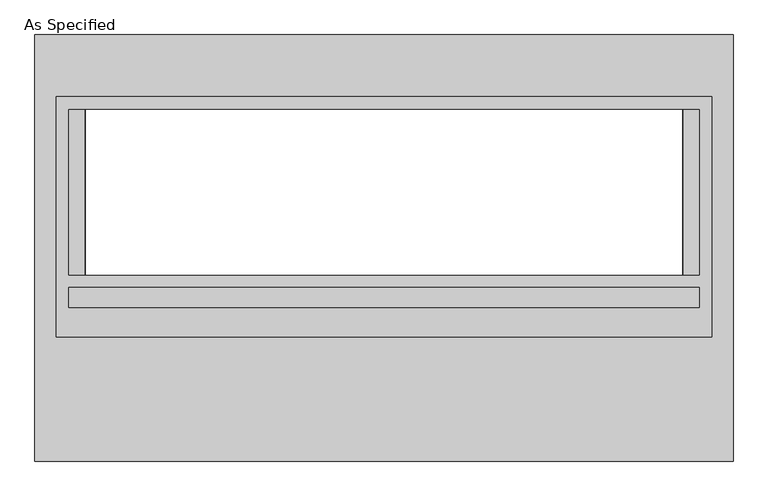
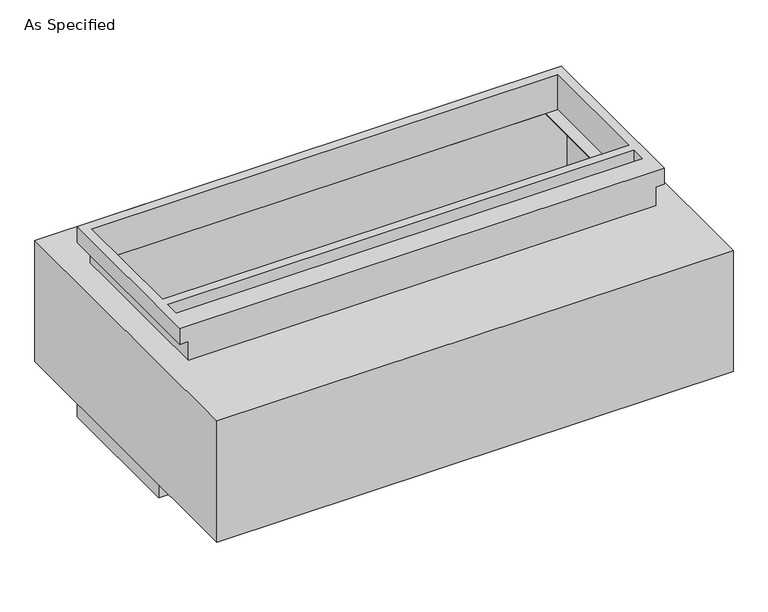
"""IFC4 building model written with IfcOpenShell, lengths in millimetres: proxy geometry, As Specified."""

import ifcopenshell
import ifcopenshell.guid

model = None  # the IFC model being written
_history = None  # IfcOwnerHistory: only IFC2X3 demands one
_inside = {}  # id of a spatial element -> (the spatial element, [elements in it])
_under = {}  # id of a project, library or spatial element -> (it, [spatial elements below it])
_declared = {}  # id of a project -> (the project, [libraries it declares])
_typed = {}  # id of a type object -> (the type object, [elements of that type])
_made_of = {}  # id of a material, layer set ... -> (it, [elements and type objects made of it])


def new_model(schema):
    """Start an empty IFC model of exactly this schema.

    Asked for "IFC4X3", IfcOpenShell would pick the latest addendum, in which some entities
    have other attributes; the version numbers below select the first issue.
    IFC2X3 requires an IfcOwnerHistory on every rooted entity: one is made here for all.
    """
    global model, _history
    if schema == "IFC4X3":
        model = ifcopenshell.file(schema_version=(4, 3, 0, 0))
    else:
        model = ifcopenshell.file(schema=schema)
    _inside.clear()
    _under.clear()
    _declared.clear()
    _typed.clear()
    _made_of.clear()
    _history = None
    if model.schema == "IFC2X3":
        org = make("IfcOrganization", Name="unknown")
        user = make(
            "IfcPersonAndOrganization",
            ThePerson=make("IfcPerson", FamilyName="unknown"),
            TheOrganization=org,
        )
        app = make(
            "IfcApplication",
            ApplicationDeveloper=org,
            Version="unknown",
            ApplicationFullName="unknown",
            ApplicationIdentifier="unknown",
        )
        _history = make(
            "IfcOwnerHistory",
            OwningUser=user,
            OwningApplication=app,
            ChangeAction="ADDED",
            CreationDate=0,
        )
    return model


def make(cls, **values):
    """One entity of the class cls with the attributes given. An attribute that is None is left unset."""
    return model.create_entity(
        cls, **{name: value for name, value in values.items() if value is not None}
    )


def rooted(cls, **values):
    """An entity with a GlobalId (a new one), such as an element, a storey or a relation."""
    return make(cls, GlobalId=ifcopenshell.guid.new(), OwnerHistory=_history, **values)


def si_unit(unit_type, name, prefix=None):
    """IfcSIUnit, for example si_unit("LENGTHUNIT", "METRE", prefix="MILLI")."""
    return make("IfcSIUnit", UnitType=unit_type, Prefix=prefix, Name=name)


def assignment(units):
    """IfcUnitAssignment: the units of a project."""
    return None if units is None else make("IfcUnitAssignment", Units=units)


def point(xyz):
    """IfcCartesianPoint."""
    return None if xyz is None else make("IfcCartesianPoint", Coordinates=xyz)


def direction(xyz):
    """IfcDirection."""
    return None if xyz is None else make("IfcDirection", DirectionRatios=xyz)


def frame(location, z_axis=None, x_axis=None):
    """IfcAxis2Placement3D, a coordinate frame: its origin and axes. An axis left out is left unset."""
    return make(
        "IfcAxis2Placement3D",
        Location=point(location),
        Axis=direction(z_axis),
        RefDirection=direction(x_axis),
    )


def origin():
    """The frame at (0, 0, 0) with its axes left unset."""
    return frame((0.0, 0.0, 0.0))


def place(relative_to, where):
    """IfcLocalPlacement: puts the frame where relative to a parent placement (None: the world)."""
    return make(
        "IfcLocalPlacement", PlacementRelTo=relative_to, RelativePlacement=where
    )


def context(
    kind, dimensions, precision=None, world=None, true_north=None, identifier=None
):
    """IfcGeometricRepresentationContext, for example the 3D "Model" context."""
    return make(
        "IfcGeometricRepresentationContext",
        ContextIdentifier=identifier,
        ContextType=kind,
        CoordinateSpaceDimension=dimensions,
        Precision=precision,
        WorldCoordinateSystem=world,
        TrueNorth=true_north,
    )


def project(units=None, contexts=None):
    """IfcProject with its units and contexts."""
    return rooted(
        "IfcProject",
        Name="project",
        RepresentationContexts=contexts,
        UnitsInContext=assignment(units),
    )


def spatial(cls, under=None, at=None, **own):
    """A site, building, storey or space (cls), placed at a placement, below another one or the project."""
    s = rooted(cls, ObjectPlacement=at, **own)
    if under is not None:
        _under.setdefault(under.id(), (under, []))[1].append(s)
    return s


def polyline(points):
    """IfcPolyline through the points."""
    return make("IfcPolyline", Points=[point(p) for p in points])


def circle_curve(where, radius):
    """IfcCircle in the frame where."""
    return make("IfcCircle", Position=where, Radius=radius)


def faces_of(points, faces, orient=None, outer=None):
    """IfcFace entities. A face is a list of loops; a loop is a list of indices into points, from 0.

    orient and outer hold one flag for each loop. By default every Orientation is true, the
    first loop of a face is its IfcFaceOuterBound and the others are IfcFaceBound.
    """
    made = []
    for i, loops in enumerate(faces):
        bounds = []
        for j, loop in enumerate(loops):
            is_outer = j == 0 if outer is None else outer[i][j]
            bounds.append(
                make(
                    "IfcFaceOuterBound" if is_outer else "IfcFaceBound",
                    Bound=make("IfcPolyLoop", Polygon=[points[k] for k in loop]),
                    Orientation=True if orient is None else orient[i][j],
                )
            )
        made.append(make("IfcFace", Bounds=bounds))
    return made


def faceted_brep(points, faces, orient=None, outer=None, voids=None):
    """IfcFacetedBrep: a solid bounded by flat faces; with voids (closed shells), ...WithVoids."""
    shared = [point(p) for p in points]
    hull = make("IfcClosedShell", CfsFaces=faces_of(shared, faces, orient, outer))
    if voids is None:
        return make("IfcFacetedBrep", Outer=hull)
    return make(
        "IfcFacetedBrepWithVoids",
        Outer=hull,
        Voids=[
            make(cls, CfsFaces=faces_of(shared, fs, o, b)) for cls, fs, o, b in voids
        ],
    )


def shape(context_of_items, identifier, shape_type, items):
    """IfcShapeRepresentation: the items that make up one representation, for example the "Body"."""
    return make(
        "IfcShapeRepresentation",
        ContextOfItems=context_of_items,
        RepresentationIdentifier=identifier,
        RepresentationType=shape_type,
        Items=items,
    )


def source(mapping_origin, context_of_items, identifier, shape_type, items):
    """IfcRepresentationMap: a shape defined once, which mapped items show again and again."""
    return make(
        "IfcRepresentationMap",
        MappingOrigin=mapping_origin,
        MappedRepresentation=shape(context_of_items, identifier, shape_type, items),
    )


def transform(
    local_origin,
    x_axis=None,
    y_axis=None,
    z_axis=None,
    scale=None,
    scale2=None,
    scale3=None,
    uniform=True,
):
    """IfcCartesianTransformationOperator3D, or its non-uniform kind. x_axis, y_axis, z_axis: its Axis1, 2, 3."""
    if uniform:
        return make(
            "IfcCartesianTransformationOperator3D",
            Axis1=direction(x_axis),
            Axis2=direction(y_axis),
            LocalOrigin=point(local_origin),
            Scale=scale,
            Axis3=direction(z_axis),
        )
    return make(
        "IfcCartesianTransformationOperator3DnonUniform",
        Axis1=direction(x_axis),
        Axis2=direction(y_axis),
        LocalOrigin=point(local_origin),
        Scale=scale,
        Axis3=direction(z_axis),
        Scale2=scale2,
        Scale3=scale3,
    )


def mapped(mapping_source, mapping_target):
    """IfcMappedItem: shows the shape of a source again, moved by a transform."""
    return make(
        "IfcMappedItem", MappingSource=mapping_source, MappingTarget=mapping_target
    )


def made_of(thing, what):
    """Note that an element or type object is made of a material, layer set ...; save() writes the relation."""
    if what is not None:
        _made_of.setdefault(what.id(), (what, []))[1].append(thing)
    return thing


def element(
    cls,
    number,
    at=None,
    inside=None,
    cuts=None,
    type_object=None,
    material=None,
    context=None,
    identifier="Body",
    shape_type=None,
    held_by="IfcProductDefinitionShape",
    body=None,
    shapes=None,
    **own,
):
    """One element of the class cls, such as IfcWall. Its Tag is "e" and its number.

    at: its placement. inside: the storey or other place that contains it. cuts: it is an
    opening in that element (IfcRelVoidsElement). A single representation is given by context,
    identifier, shape_type and body (its items); several are given by shapes. held_by: the class
    of the entity that holds the representations. save() writes the other relations.
    """
    e = rooted(cls, Tag="e%d" % number, ObjectPlacement=at, **own)
    if body is not None:
        shapes = [shape(context, identifier, shape_type, body)]
    if shapes is not None:
        e.Representation = make(held_by, Representations=shapes)
    if inside is not None:
        _inside.setdefault(inside.id(), (inside, []))[1].append(e)
    if cuts is not None:
        rooted(
            "IfcRelVoidsElement", RelatingBuildingElement=cuts, RelatedOpeningElement=e
        )
    if type_object is not None:
        _typed.setdefault(type_object.id(), (type_object, []))[1].append(e)
    return made_of(e, material)


def aggregate(whole, parts):
    """IfcRelAggregates: a whole, such as a stair, and the parts it consists of."""
    return rooted("IfcRelAggregates", RelatingObject=whole, RelatedObjects=parts)


def save(model, path):
    """Write the relations noted so far, then the file.

    IfcRelAggregates (storeys below a building ...), IfcRelContainedInSpatialStructure (elements
    in a storey), IfcRelDefinesByType, IfcRelAssociatesMaterial and IfcRelDeclares: one each for
    every whole, place, type object, material and project.
    """
    for whole, parts in _under.values():
        aggregate(whole, parts)
    for where, things in _inside.values():
        rooted(
            "IfcRelContainedInSpatialStructure",
            RelatedElements=things,
            RelatingStructure=where,
        )
    for kind, things in _typed.values():
        rooted("IfcRelDefinesByType", RelatedObjects=things, RelatingType=kind)
    for what, things in _made_of.values():
        rooted("IfcRelAssociatesMaterial", RelatedObjects=things, RelatingMaterial=what)
    for by, libraries in _declared.values():
        rooted("IfcRelDeclares", RelatingContext=by, RelatedDefinitions=libraries)
    model.write(path)


def plane_surface(at):
    """IfcPlane: the flat surface through the origin of the frame at, square to its z axis."""
    return make("IfcPlane", Position=at)


def revolved_surface(curve, axis_point, axis_direction):
    """IfcSurfaceOfRevolution: the curve turned about the line through axis_point along axis_direction."""
    return make(
        "IfcSurfaceOfRevolution",
        SweptCurve=make("IfcArbitraryOpenProfileDef", ProfileType="CURVE", Curve=curve),
        AxisPosition=make("IfcAxis1Placement", Location=point(axis_point), Axis=direction(axis_direction)),
    )


def advanced_brep(points, edges, surfaces, faces):
    """IfcAdvancedBrep: a solid bounded by faces that lie on surfaces and meet in shared edges.

    An edge is (start, end): straight between two places in points (the first is 0);
    or (start, end, curve); or (start, end, curve, False) where it runs against its curve.
    A face is (place in surfaces, loops), or (place, loops, False) where it looks against
    its surface's normal. A loop lists edges by number (the first is 1), with a minus sign
    where the edge is run from its end to its start. The first loop is the outer one.
    """
    corners = [point(p) for p in points]
    vertices = [make("IfcVertexPoint", VertexGeometry=c) for c in corners]
    made = []
    for start, end, *more in edges:
        made.append(
            make(
                "IfcEdgeCurve",
                EdgeStart=vertices[start],
                EdgeEnd=vertices[end],
                EdgeGeometry=more[0] if more else make("IfcPolyline", Points=[corners[start], corners[end]]),
                SameSense=more[1] if len(more) > 1 else True,
            )
        )
    hull = []
    for where, loops, *sense in faces:
        bounds = []
        for j, loop in enumerate(loops):
            ring = [make("IfcOrientedEdge", EdgeElement=made[abs(k) - 1], Orientation=k > 0) for k in loop]
            bounds.append(
                make(
                    "IfcFaceOuterBound" if j == 0 else "IfcFaceBound",
                    Bound=make("IfcEdgeLoop", EdgeList=ring),
                    Orientation=True,
                )
            )
        hull.append(make("IfcAdvancedFace", Bounds=bounds, FaceSurface=surfaces[where], SameSense=sense[0] if sense else True))
    return make("IfcAdvancedBrep", Outer=make("IfcClosedShell", CfsFaces=hull))


def as_specified_434933d0(model_context):
    return source(origin(), model_context, "Body", "SolidModel", [
        faceted_brep([(1003.3, 464.2941406, -682.7242188), (1003.3, -119.9058594, -682.7242188), (-1003.3, -119.9058594, -682.7242188), (-1003.3, 464.2941406, -682.7242188), (965.2, -83.3933594, -682.7242188), (965.2, 424.6066406, -682.7242188), (-965.2, 424.6066406, -682.7242188), (-965.2, -83.3933594, -682.7242188), (-968.375, -119.9058594, -530.3242188), (968.375, -119.9058594, -530.3242188), (968.375, 429.3691406, -530.3242188), (-968.375, 429.3691406, -530.3242188), (965.2, 424.6066406, -530.3242188), (965.2, -83.3933594, -530.3242188), (-965.2, -83.3933594, -530.3242188), (-965.2, 424.6066406, -530.3242188), (-1003.3, 464.2941406, -612.8742188), (1003.3, 464.2941406, -612.8742188), (-1003.3, -119.9058594, -612.8742188), (1003.3, -119.9058594, -612.8742188), (968.375, -119.9058594, -612.8742188), (-968.375, -119.9058594, -612.8742188), (-968.375, 429.3691406, -612.8742188), (968.375, 429.3691406, -612.8742188)], [[[0, 1, 2, 3], [4, 5, 6, 7]], [[8, 9, 10, 11], [12, 13, 14, 15]], [[0, 3, 16, 17]], [[3, 2, 18, 16]], [[2, 1, 19, 20, 9, 8, 21, 18]], [[1, 0, 17, 19]], [[22, 23, 20, 19, 17, 16, 18, 21]], [[23, 10, 9, 20]], [[23, 22, 11, 10]], [[11, 22, 21, 8]], [[12, 5, 4, 13]], [[13, 4, 7, 14]], [[14, 7, 6, 15]], [[5, 12, 15, 6]]]),
        advanced_brep(
        [(1069.18125, 653.3058594, -530.3242188), (1069.18125, -653.3058594, -530.3242188), (-1069.18125, -653.3058594, -530.3242188), (-1069.18125, 653.3058594, -530.3242188), (914.4, -83.3933594, -530.3242188), (914.4, 424.6066406, -530.3242188), (-914.4, 424.6066406, -530.3242188), (-914.4, -83.3933594, -530.3242188), (1069.18125, 653.3058594, 0.0), (-1069.18125, 653.3058594, 0.0), (-1069.18125, -653.3058594, 0.0), (1069.18125, -653.3058594, 0.0), (914.4, 424.6066406, 0.0), (914.4, -83.3933594, 0.0), (-914.4, -83.3933594, 0.0), (-914.4, 424.6066406, 0.0), (1069.18125, -272.3058594, -430.3117188), (1069.18125, -294.5308594, -430.3117188), (1069.18125, -170.7058594, -430.3117188), (1069.18125, -192.9308594, -430.3117188), (1069.18125, -272.3058594, -100.1117188), (1069.18125, -294.5308594, -100.1117188), (1069.18125, -170.7058594, -100.1117188), (1069.18125, -192.9308594, -100.1117188), (-1003.3, 424.6066406, -527.05), (-1003.3, -83.3933594, -527.05), (-914.4, -83.3933594, -527.05), (-914.4, 424.6066406, -527.05), (1003.3, -83.3933594, -527.05), (1003.3, 424.6066406, -527.05), (914.4, 424.6066406, -527.05), (914.4, -83.3933594, -527.05), (1003.3, 424.6066406, -3.175), (1003.3, -83.3933594, -3.175), (914.4, -83.3933594, -3.175), (914.4, 424.6066406, -3.175), (-1003.3, -83.3933594, -3.175), (-1003.3, 424.6066406, -3.175), (-914.4, 424.6066406, -3.175), (-914.4, -83.3933594, -3.175), (1053.328271, -294.5308594, -430.3117188), (1053.328271, -272.3058594, -430.3117188), (1053.328271, -192.9308594, -430.3117188), (1053.328271, -170.7058594, -430.3117188), (1053.328271, -294.5308594, -100.1117188), (1053.328271, -272.3058594, -100.1117188), (1053.328271, -192.9308594, -100.1117188), (1053.328271, -170.7058594, -100.1117188)],
        [
            (0, 1),
            (1, 2),
            (2, 3),
            (3, 0),
            (4, 5),
            (5, 6),
            (6, 7),
            (7, 4),
            (8, 9),
            (9, 10),
            (10, 11),
            (11, 8),
            (12, 13),
            (13, 14),
            (14, 15),
            (15, 12),
            (3, 9),
            (8, 0),
            (2, 10),
            (1, 11),
            (16, 17, circle_curve(frame((1069.18125, -283.4183594, -430.3117188), z_axis=(-1.0, 0.0, 0.0), x_axis=(0.0, 1.0, 0.0)), 11.1125)),
            (17, 16, circle_curve(frame((1069.18125, -283.4183594, -430.3117188), z_axis=(-1.0, 0.0, 0.0), x_axis=(0.0, 1.0, 0.0)), 11.1125)),
            (18, 19, circle_curve(frame((1069.18125, -181.8183594, -430.3117188), z_axis=(-1.0, 0.0, 0.0), x_axis=(0.0, 1.0, 0.0)), 11.1125)),
            (19, 18, circle_curve(frame((1069.18125, -181.8183594, -430.3117188), z_axis=(-1.0, 0.0, 0.0), x_axis=(0.0, 1.0, 0.0)), 11.1125)),
            (20, 21, circle_curve(frame((1069.18125, -283.4183594, -100.1117188), z_axis=(-1.0, 0.0, 0.0), x_axis=(0.0, 1.0, 0.0)), 11.1125)),
            (21, 20, circle_curve(frame((1069.18125, -283.4183594, -100.1117188), z_axis=(-1.0, 0.0, 0.0), x_axis=(0.0, 1.0, 0.0)), 11.1125)),
            (22, 23, circle_curve(frame((1069.18125, -181.8183594, -100.1117188), z_axis=(-1.0, 0.0, 0.0), x_axis=(0.0, 1.0, 0.0)), 11.1125)),
            (23, 22, circle_curve(frame((1069.18125, -181.8183594, -100.1117188), z_axis=(-1.0, 0.0, 0.0), x_axis=(0.0, 1.0, 0.0)), 11.1125)),
            (24, 25),
            (25, 26),
            (26, 27),
            (27, 24),
            (28, 29),
            (29, 30),
            (30, 31),
            (31, 28),
            (32, 33),
            (33, 34),
            (34, 35),
            (35, 32),
            (36, 37),
            (37, 38),
            (38, 39),
            (39, 36),
            (28, 33),
            (32, 29),
            (31, 4),
            (7, 26),
            (25, 36),
            (39, 14),
            (13, 34),
            (24, 37),
            (35, 12),
            (15, 38),
            (27, 6),
            (5, 30),
            (40, 41, circle_curve(frame((1053.328271, -283.4183594, -430.3117188), z_axis=(1.0, 0.0, 0.0), x_axis=(0.0, 1.0, 0.0)), 11.1125)),
            (41, 40, circle_curve(frame((1053.328271, -283.4183594, -430.3117188), z_axis=(1.0, 0.0, 0.0), x_axis=(0.0, 1.0, 0.0)), 11.1125)),
            (42, 43, circle_curve(frame((1053.328271, -181.8183594, -430.3117188), z_axis=(1.0, 0.0, 0.0), x_axis=(0.0, 1.0, 0.0)), 11.1125)),
            (43, 42, circle_curve(frame((1053.328271, -181.8183594, -430.3117188), z_axis=(1.0, 0.0, 0.0), x_axis=(0.0, 1.0, 0.0)), 11.1125)),
            (44, 45, circle_curve(frame((1053.328271, -283.4183594, -100.1117188), z_axis=(1.0, 0.0, 0.0), x_axis=(0.0, 1.0, 0.0)), 11.1125)),
            (45, 44, circle_curve(frame((1053.328271, -283.4183594, -100.1117188), z_axis=(1.0, 0.0, 0.0), x_axis=(0.0, 1.0, 0.0)), 11.1125)),
            (46, 47, circle_curve(frame((1053.328271, -181.8183594, -100.1117188), z_axis=(1.0, 0.0, 0.0), x_axis=(0.0, 1.0, 0.0)), 11.1125)),
            (47, 46, circle_curve(frame((1053.328271, -181.8183594, -100.1117188), z_axis=(1.0, 0.0, 0.0), x_axis=(0.0, 1.0, 0.0)), 11.1125)),
            (40, 17),
            (16, 41),
            (42, 19),
            (18, 43),
            (44, 21),
            (20, 45),
            (46, 23),
            (22, 47),
        ],
        [
            plane_surface(frame((-1069.18125, 653.3058594, -530.3242188), z_axis=(0.0, 0.0, -1.0), x_axis=(1.0, 0.0, 0.0))),
            plane_surface(frame((-1069.18125, 653.3058594, 0.0), z_axis=(0.0, 0.0, 1.0), x_axis=(-1.0, 0.0, 0.0))),
            plane_surface(frame((1069.18125, 653.3058594, 0.0), z_axis=(0.0, 1.0, 0.0), x_axis=(0.0, 0.0, -1.0))),
            plane_surface(frame((-1069.18125, 653.3058594, 0.0), z_axis=(-1.0, 0.0, 0.0), x_axis=(0.0, 0.0, -1.0))),
            plane_surface(frame((-1069.18125, -653.3058594, 0.0), z_axis=(0.0, -1.0, 0.0), x_axis=(0.0, 0.0, -1.0))),
            plane_surface(frame((1069.18125, -653.3058594, 0.0), z_axis=(1.0, 0.0, 0.0), x_axis=(0.0, 0.0, -1.0))),
            plane_surface(frame((1003.3, 424.6066406, -527.05), z_axis=(0.0, 0.0, 1.0), x_axis=(0.0, -1.0, 0.0))),
            plane_surface(frame((1003.3, 424.6066406, -3.175), z_axis=(0.0, 0.0, -1.0), x_axis=(0.0, 1.0, 0.0))),
            plane_surface(frame((1003.3, 424.6066406, -527.05), z_axis=(-1.0, 0.0, 0.0), x_axis=(0.0, 0.0, 1.0))),
            plane_surface(frame((1003.3, -83.3933594, -527.05), z_axis=(0.0, 1.0, 0.0), x_axis=(0.0, 0.0, 1.0))),
            plane_surface(frame((-1003.3, -83.3933594, -527.05), z_axis=(1.0, 0.0, 0.0), x_axis=(0.0, 0.0, 1.0))),
            plane_surface(frame((-1003.3, 424.6066406, -527.05), z_axis=(0.0, -1.0, 0.0), x_axis=(0.0, 0.0, 1.0))),
            plane_surface(frame((914.4, 424.6066406, -25.4), z_axis=(-1.0, 0.0, 0.0), x_axis=(0.0, 0.0, 1.0))),
            plane_surface(frame((-914.4, -83.3933594, -25.4), z_axis=(1.0, 0.0, 0.0), x_axis=(0.0, 0.0, 1.0))),
            plane_surface(frame((1053.328271, -272.3058594, -430.3117188), z_axis=(1.0, 0.0, 0.0), x_axis=(0.0, 0.0, -1.0))),
            revolved_surface(polyline([(1069.18125, -272.3058594, -430.3117188), (1053.328271, -272.3058594, -430.3117188)]), (1053.328271, -283.4183594, -430.3117188), (1.0, 0.0, 0.0)),
            revolved_surface(polyline([(1069.18125, -170.70585939999998, -430.3117188), (1053.328271, -170.70585939999998, -430.3117188)]), (0.0, -181.8183594, -430.3117188), (1.0, 0.0, 0.0)),
            revolved_surface(polyline([(1069.18125, -272.3058594, -100.1117188), (1053.328271, -272.3058594, -100.1117188)]), (0.0, -283.4183594, -100.1117188), (1.0, 0.0, 0.0)),
            revolved_surface(polyline([(1069.18125, -170.70585939999998, -100.1117188), (1053.328271, -170.70585939999998, -100.1117188)]), (0.0, -181.8183594, -100.1117188), (1.0, 0.0, 0.0)),
            plane_surface(frame((914.4, -83.3933594, -504.9242188), z_axis=(-1.0, 0.0, 0.0), x_axis=(0.0, 0.0, -1.0))),
            plane_surface(frame((-914.4, 424.6066406, -504.9242188), z_axis=(1.0, 0.0, 0.0), x_axis=(0.0, 0.0, -1.0))),
        ],
        [
            (0, [[1, 2, 3, 4], [5, 6, 7, 8]]),
            (1, [[9, 10, 11, 12], [13, 14, 15, 16]]),
            (2, [[-4, 17, -9, 18]]),
            (3, [[-3, 19, -10, -17]]),
            (4, [[-2, 20, -11, -19]]),
            (5, [[-1, -18, -12, -20], [21, 22], [23, 24], [25, 26], [27, 28]]),
            (6, [[29, 30, 31, 32]]),
            (6, [[33, 34, 35, 36]]),
            (7, [[37, 38, 39, 40]]),
            (7, [[41, 42, 43, 44]]),
            (8, [[-33, 45, -37, 46]]),
            (9, [[-45, -36, 47, -8, 48, -30, 49, -44, 50, -14, 51, -38]]),
            (10, [[-29, 52, -41, -49]]),
            (11, [[-46, -40, 53, -16, 54, -42, -52, -32, 55, -6, 56, -34]]),
            (12, [[-53, -39, -51, -13]]),
            (13, [[-50, -43, -54, -15]]),
            (14, [[57, 58]]),
            (14, [[59, 60]]),
            (14, [[61, 62]]),
            (14, [[63, 64]]),
            (15, [[-57, 65, -21, 66]]),
            (15, [[-58, -66, -22, -65]]),
            (16, [[-59, 67, -23, 68]]),
            (16, [[-60, -68, -24, -67]]),
            (17, [[-61, 69, -25, 70]]),
            (17, [[-62, -70, -26, -69]]),
            (18, [[-63, 71, -27, 72]]),
            (18, [[-64, -72, -28, -71]]),
            (19, [[-47, -35, -56, -5]]),
            (20, [[-48, -7, -55, -31]]),
        ],
    ),
        faceted_brep([(1003.3, 464.2941406, 152.4), (-1003.3, 464.2941406, 152.4), (-1003.3, -272.3058594, 152.4), (1003.3, -272.3058594, 152.4), (965.2, 424.6066406, 152.4), (965.2, -83.3933594, 152.4), (-965.2, -83.3933594, 152.4), (-965.2, 424.6066406, 152.4), (965.2, -121.4933594, 152.4), (965.2, -181.8183594, 152.4), (-965.2, -181.8183594, 152.4), (-965.2, -121.4933594, 152.4), (968.375, -272.3058594, 0.0), (-968.375, -272.3058594, 0.0), (-968.375, 429.3691406, 0.0), (968.375, 429.3691406, 0.0), (965.2, -83.3933594, 0.0), (965.2, 424.6066406, 0.0), (-965.2, 424.6066406, 0.0), (-965.2, -83.3933594, 0.0), (1003.3, 464.2941406, 82.55), (-1003.3, 464.2941406, 82.55), (-1003.3, -272.3058594, 82.55), (-968.375, -272.3058594, 82.55), (968.375, -272.3058594, 82.55), (1003.3, -272.3058594, 82.55), (968.375, 429.3691406, 82.55), (-968.375, 429.3691406, 82.55), (965.2, -121.4933594, 82.55), (-965.2, -121.4933594, 82.55), (-965.2, -181.8183594, 82.55), (965.2, -181.8183594, 82.55)], [[[0, 1, 2, 3], [4, 5, 6, 7], [8, 9, 10, 11]], [[12, 13, 14, 15], [16, 17, 18, 19]], [[1, 0, 20, 21]], [[2, 1, 21, 22]], [[3, 2, 22, 23, 13, 12, 24, 25]], [[0, 3, 25, 20]], [[24, 26, 27, 23, 22, 21, 20, 25]], [[26, 24, 12, 15]], [[27, 26, 15, 14]], [[23, 27, 14, 13]], [[16, 5, 4, 17]], [[5, 16, 19, 6]], [[6, 19, 18, 7]], [[17, 4, 7, 18]], [[28, 29, 30, 31]], [[28, 31, 9, 8]], [[31, 30, 10, 9]], [[30, 29, 11, 10]], [[29, 28, 8, 11]]]),
    ])


if __name__ == "__main__":
    model = new_model("IFC4")
    model_context = context("Model", 3, world=origin())
    ifc_project = project(units=[si_unit("LENGTHUNIT", "METRE", prefix="MILLI")], contexts=[model_context])
    site = spatial("IfcSite", under=ifc_project)
    building = spatial("IfcBuilding", under=site)
    placement = place(None, origin())
    as_specified_shape = as_specified_434933d0(model_context)
    element("IfcBuildingElementProxy", 1, Name="As Specified", ObjectType="As Specified", at=placement, inside=building, context=model_context, shape_type="MappedRepresentation", body=[
        mapped(as_specified_shape, transform((0.0, 0.0, 0.0), x_axis=(1.0, 0.0, 0.0), y_axis=(0.0, 1.0, 0.0), z_axis=(0.0, 0.0, 1.0))),
    ])
    save(model, "model.ifc")
